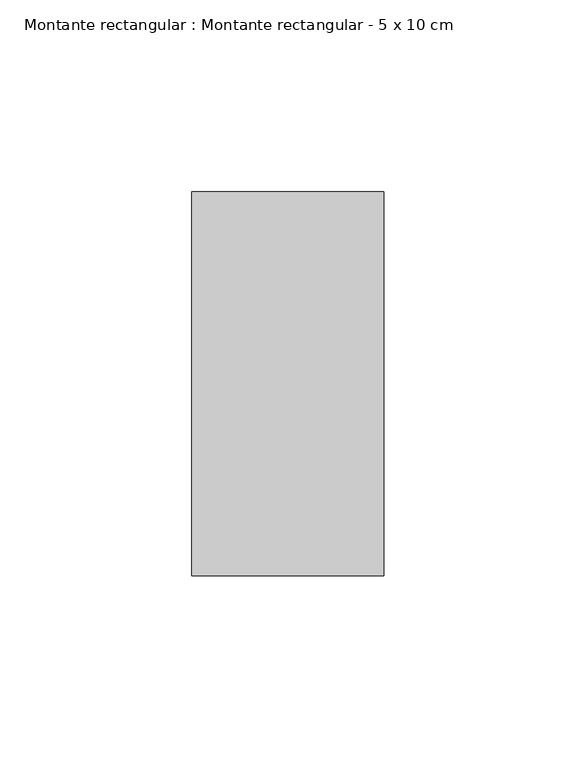
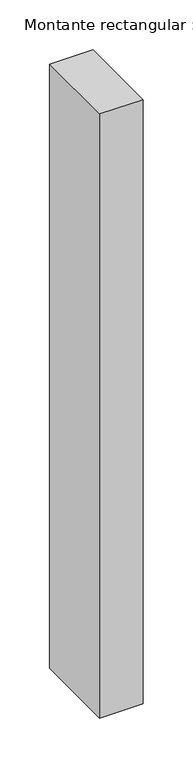
"""IFC4 building model written with IfcOpenShell, lengths in millimetres: member geometry, Montante rectangular : Montante rectangular - 5 x 10 cm."""

from ifc_helpers import new_model, si_unit, frame, origin, place, context, project, spatial, polyline, outline, extrude, source, transform, mapped, element, save


def montante_rectangular_montante_rectangular_5_x_10_cm_e7bcac8b(model_context):
    return source(origin(), model_context, "Body", "SweptSolid", [
        extrude(outline(polyline([(-50.0, 50.0), (0.0, 50.0), (0.0, -50.0), (-50.0, -50.0), (-50.0, 50.0)])), frame((0.0, 0.0, -738.7397376), z_axis=(0.0, 0.0, 1.0), x_axis=(1.0, 0.0, 0.0)), (0.0, 0.0, 1.0), 738.7397376),
    ])


if __name__ == "__main__":
    model = new_model("IFC4")
    model_context = context("Model", 3, world=origin())
    ifc_project = project(units=[si_unit("LENGTHUNIT", "METRE", prefix="MILLI")], contexts=[model_context])
    site = spatial("IfcSite", under=ifc_project)
    building = spatial("IfcBuilding", under=site)
    placement = place(None, origin())
    montante_rectangular_montante_rectangular_5_x_10_cm_shape = montante_rectangular_montante_rectangular_5_x_10_cm_e7bcac8b(model_context)
    element("IfcMember", 1, ObjectType="Montante rectangular : Montante rectangular - 5 x 10 cm", at=placement, inside=building, context=model_context, shape_type="MappedRepresentation", body=[
        mapped(montante_rectangular_montante_rectangular_5_x_10_cm_shape, transform((0.0, 0.0, 0.0), x_axis=(1.0, 0.0, 0.0), y_axis=(0.0, 1.0, 0.0), z_axis=(0.0, 0.0, 1.0))),
    ])
    save(model, "model.ifc")
